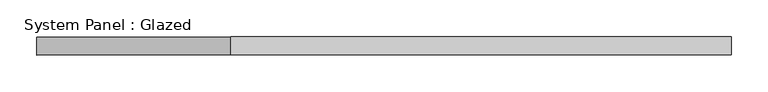
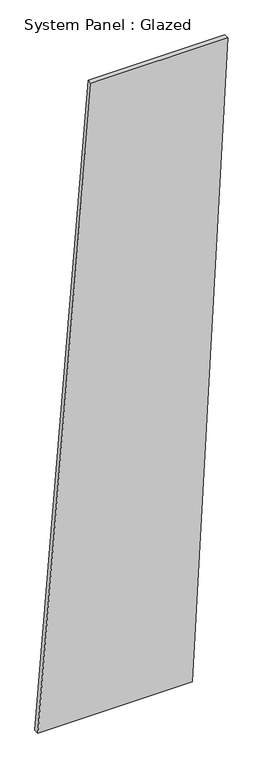
"""IFC4 building model written with IfcOpenShell, lengths in millimetres: plate geometry, System Panel : Glazed."""

import ifcopenshell
import ifcopenshell.guid

model = None  # the IFC model being written
_history = None  # IfcOwnerHistory: only IFC2X3 demands one
_inside = {}  # id of a spatial element -> (the spatial element, [elements in it])
_under = {}  # id of a project, library or spatial element -> (it, [spatial elements below it])
_declared = {}  # id of a project -> (the project, [libraries it declares])
_typed = {}  # id of a type object -> (the type object, [elements of that type])
_made_of = {}  # id of a material, layer set ... -> (it, [elements and type objects made of it])


def new_model(schema):
    """Start an empty IFC model of exactly this schema.

    Asked for "IFC4X3", IfcOpenShell would pick the latest addendum, in which some entities
    have other attributes; the version numbers below select the first issue.
    IFC2X3 requires an IfcOwnerHistory on every rooted entity: one is made here for all.
    """
    global model, _history
    if schema == "IFC4X3":
        model = ifcopenshell.file(schema_version=(4, 3, 0, 0))
    else:
        model = ifcopenshell.file(schema=schema)
    _inside.clear()
    _under.clear()
    _declared.clear()
    _typed.clear()
    _made_of.clear()
    _history = None
    if model.schema == "IFC2X3":
        org = make("IfcOrganization", Name="unknown")
        user = make(
            "IfcPersonAndOrganization",
            ThePerson=make("IfcPerson", FamilyName="unknown"),
            TheOrganization=org,
        )
        app = make(
            "IfcApplication",
            ApplicationDeveloper=org,
            Version="unknown",
            ApplicationFullName="unknown",
            ApplicationIdentifier="unknown",
        )
        _history = make(
            "IfcOwnerHistory",
            OwningUser=user,
            OwningApplication=app,
            ChangeAction="ADDED",
            CreationDate=0,
        )
    return model


def make(cls, **values):
    """One entity of the class cls with the attributes given. An attribute that is None is left unset."""
    return model.create_entity(
        cls, **{name: value for name, value in values.items() if value is not None}
    )


def rooted(cls, **values):
    """An entity with a GlobalId (a new one), such as an element, a storey or a relation."""
    return make(cls, GlobalId=ifcopenshell.guid.new(), OwnerHistory=_history, **values)


def si_unit(unit_type, name, prefix=None):
    """IfcSIUnit, for example si_unit("LENGTHUNIT", "METRE", prefix="MILLI")."""
    return make("IfcSIUnit", UnitType=unit_type, Prefix=prefix, Name=name)


def assignment(units):
    """IfcUnitAssignment: the units of a project."""
    return None if units is None else make("IfcUnitAssignment", Units=units)


def point(xyz):
    """IfcCartesianPoint."""
    return None if xyz is None else make("IfcCartesianPoint", Coordinates=xyz)


def direction(xyz):
    """IfcDirection."""
    return None if xyz is None else make("IfcDirection", DirectionRatios=xyz)


def frame(location, z_axis=None, x_axis=None):
    """IfcAxis2Placement3D, a coordinate frame: its origin and axes. An axis left out is left unset."""
    return make(
        "IfcAxis2Placement3D",
        Location=point(location),
        Axis=direction(z_axis),
        RefDirection=direction(x_axis),
    )


def origin():
    """The frame at (0, 0, 0) with its axes left unset."""
    return frame((0.0, 0.0, 0.0))


def place(relative_to, where):
    """IfcLocalPlacement: puts the frame where relative to a parent placement (None: the world)."""
    return make(
        "IfcLocalPlacement", PlacementRelTo=relative_to, RelativePlacement=where
    )


def context(
    kind, dimensions, precision=None, world=None, true_north=None, identifier=None
):
    """IfcGeometricRepresentationContext, for example the 3D "Model" context."""
    return make(
        "IfcGeometricRepresentationContext",
        ContextIdentifier=identifier,
        ContextType=kind,
        CoordinateSpaceDimension=dimensions,
        Precision=precision,
        WorldCoordinateSystem=world,
        TrueNorth=true_north,
    )


def project(units=None, contexts=None):
    """IfcProject with its units and contexts."""
    return rooted(
        "IfcProject",
        Name="project",
        RepresentationContexts=contexts,
        UnitsInContext=assignment(units),
    )


def spatial(cls, under=None, at=None, **own):
    """A site, building, storey or space (cls), placed at a placement, below another one or the project."""
    s = rooted(cls, ObjectPlacement=at, **own)
    if under is not None:
        _under.setdefault(under.id(), (under, []))[1].append(s)
    return s


def polyline(points):
    """IfcPolyline through the points."""
    return make("IfcPolyline", Points=[point(p) for p in points])


def outline(outer, holes=None, kind="AREA"):
    """IfcArbitraryClosedProfileDef: a profile drawn as a closed curve; with holes, ...WithVoids."""
    if holes is None:
        return make("IfcArbitraryClosedProfileDef", ProfileType=kind, OuterCurve=outer)
    return make(
        "IfcArbitraryProfileDefWithVoids",
        ProfileType=kind,
        OuterCurve=outer,
        InnerCurves=holes,
    )


def extrude(swept, where, along, depth):
    """IfcExtrudedAreaSolid: the profile swept, set in the frame where, extruded along a direction by depth."""
    return make(
        "IfcExtrudedAreaSolid",
        SweptArea=swept,
        Position=where,
        ExtrudedDirection=direction(along),
        Depth=depth,
    )


def shape(context_of_items, identifier, shape_type, items):
    """IfcShapeRepresentation: the items that make up one representation, for example the "Body"."""
    return make(
        "IfcShapeRepresentation",
        ContextOfItems=context_of_items,
        RepresentationIdentifier=identifier,
        RepresentationType=shape_type,
        Items=items,
    )


def source(mapping_origin, context_of_items, identifier, shape_type, items):
    """IfcRepresentationMap: a shape defined once, which mapped items show again and again."""
    return make(
        "IfcRepresentationMap",
        MappingOrigin=mapping_origin,
        MappedRepresentation=shape(context_of_items, identifier, shape_type, items),
    )


def transform(
    local_origin,
    x_axis=None,
    y_axis=None,
    z_axis=None,
    scale=None,
    scale2=None,
    scale3=None,
    uniform=True,
):
    """IfcCartesianTransformationOperator3D, or its non-uniform kind. x_axis, y_axis, z_axis: its Axis1, 2, 3."""
    if uniform:
        return make(
            "IfcCartesianTransformationOperator3D",
            Axis1=direction(x_axis),
            Axis2=direction(y_axis),
            LocalOrigin=point(local_origin),
            Scale=scale,
            Axis3=direction(z_axis),
        )
    return make(
        "IfcCartesianTransformationOperator3DnonUniform",
        Axis1=direction(x_axis),
        Axis2=direction(y_axis),
        LocalOrigin=point(local_origin),
        Scale=scale,
        Axis3=direction(z_axis),
        Scale2=scale2,
        Scale3=scale3,
    )


def mapped(mapping_source, mapping_target):
    """IfcMappedItem: shows the shape of a source again, moved by a transform."""
    return make(
        "IfcMappedItem", MappingSource=mapping_source, MappingTarget=mapping_target
    )


def made_of(thing, what):
    """Note that an element or type object is made of a material, layer set ...; save() writes the relation."""
    if what is not None:
        _made_of.setdefault(what.id(), (what, []))[1].append(thing)
    return thing


def element(
    cls,
    number,
    at=None,
    inside=None,
    cuts=None,
    type_object=None,
    material=None,
    context=None,
    identifier="Body",
    shape_type=None,
    held_by="IfcProductDefinitionShape",
    body=None,
    shapes=None,
    **own,
):
    """One element of the class cls, such as IfcWall. Its Tag is "e" and its number.

    at: its placement. inside: the storey or other place that contains it. cuts: it is an
    opening in that element (IfcRelVoidsElement). A single representation is given by context,
    identifier, shape_type and body (its items); several are given by shapes. held_by: the class
    of the entity that holds the representations. save() writes the other relations.
    """
    e = rooted(cls, Tag="e%d" % number, ObjectPlacement=at, **own)
    if body is not None:
        shapes = [shape(context, identifier, shape_type, body)]
    if shapes is not None:
        e.Representation = make(held_by, Representations=shapes)
    if inside is not None:
        _inside.setdefault(inside.id(), (inside, []))[1].append(e)
    if cuts is not None:
        rooted(
            "IfcRelVoidsElement", RelatingBuildingElement=cuts, RelatedOpeningElement=e
        )
    if type_object is not None:
        _typed.setdefault(type_object.id(), (type_object, []))[1].append(e)
    return made_of(e, material)


def aggregate(whole, parts):
    """IfcRelAggregates: a whole, such as a stair, and the parts it consists of."""
    return rooted("IfcRelAggregates", RelatingObject=whole, RelatedObjects=parts)


def save(model, path):
    """Write the relations noted so far, then the file.

    IfcRelAggregates (storeys below a building ...), IfcRelContainedInSpatialStructure (elements
    in a storey), IfcRelDefinesByType, IfcRelAssociatesMaterial and IfcRelDeclares: one each for
    every whole, place, type object, material and project.
    """
    for whole, parts in _under.values():
        aggregate(whole, parts)
    for where, things in _inside.values():
        rooted(
            "IfcRelContainedInSpatialStructure",
            RelatedElements=things,
            RelatingStructure=where,
        )
    for kind, things in _typed.values():
        rooted("IfcRelDefinesByType", RelatedObjects=things, RelatingType=kind)
    for what, things in _made_of.values():
        rooted("IfcRelAssociatesMaterial", RelatedObjects=things, RelatingMaterial=what)
    for by, libraries in _declared.values():
        rooted("IfcRelDeclares", RelatingContext=by, RelatedDefinitions=libraries)
    model.write(path)


def system_panel_glazed_f127555e(model_context):
    return source(origin(), model_context, "Body", "SweptSolid", [
        extrude(outline(polyline([(0.0, -474.8785513), (0.0, 297.719909), (3340.72648, 474.8785513), (3340.72648, -209.1405878), (0.0, -474.8785513)])), frame((0.0, -49.5, 0.0), z_axis=(0.0, 1.0, 0.0), x_axis=(0.0, 0.0, 1.0)), (0.0, 0.0, 1.0), 25.0),
    ])


if __name__ == "__main__":
    model = new_model("IFC4")
    model_context = context("Model", 3, world=origin())
    ifc_project = project(units=[si_unit("LENGTHUNIT", "METRE", prefix="MILLI")], contexts=[model_context])
    site = spatial("IfcSite", under=ifc_project)
    building = spatial("IfcBuilding", under=site)
    placement = place(None, origin())
    system_panel_glazed_shape = system_panel_glazed_f127555e(model_context)
    element("IfcPlate", 1, ObjectType="System Panel : Glazed", at=placement, inside=building, context=model_context, shape_type="MappedRepresentation", body=[
        mapped(system_panel_glazed_shape, transform((0.0, 0.0, 0.0), x_axis=(1.0, 0.0, 0.0), y_axis=(0.0, 1.0, 0.0), z_axis=(0.0, 0.0, 1.0))),
    ])
    save(model, "model.ifc")
